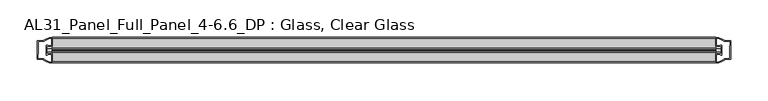
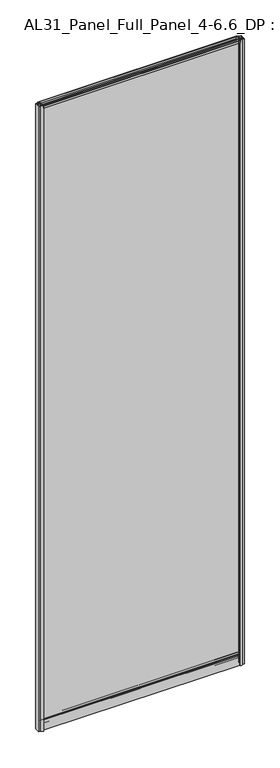
"""IFC4 building model written with IfcOpenShell, lengths in millimetres: plate geometry, AL31_Panel_Full_Panel_4-6.6_DP : Glass, Clear Glass."""

from ifc_helpers import new_model, si_unit, point, frame, frame_2d, origin, origin_with_axes, place, context, project, spatial, polyline, circle_curve, trimmed, segment, composite_curve, outline, extrude, source, transform, mapped, element, save


def al31_panel_full_panel_4_6_6_dp_glass_clear_glass_1ce08029(model_context):
    return source(origin(), model_context, "Body", "SweptSolid", [
        extrude(outline(composite_curve([segment(trimmed(circle_curve(frame_2d((-19.957, 2961.8572926)), 3.0), [point((-18.457, 2964.4553688))], [point((-17.4851586, 2960.1572926))], False, "CARTESIAN"), True, "CONTINUOUS"), segment(polyline([(-17.4851586, 2960.1572926), (-4.157, 2960.1572926), (-4.157, 2969.5572926), (-2.857, 2969.5572926), (-2.857, 2959.0572926), (-13.1545312, 2959.0572926), (-13.1545312, 2958.2572926), (-13.6601218, 2956.3357964), (-13.6601218, 2951.6572926), (-14.857, 2951.6572926), (-14.857, 2956.9912672), (-14.357, 2957.8572926), (-14.357, 2959.0572926), (-25.357, 2959.0572926), (-25.357, 2957.8572926), (-24.857, 2956.9912672), (-24.857, 2951.6572926), (-26.0538782, 2951.6572926), (-26.0538782, 2956.3357964), (-26.5594688, 2958.2572926), (-26.5594688, 2959.0572926), (-36.857, 2959.0572926), (-36.857, 2969.5572926), (-35.557, 2969.5572926), (-35.557, 2960.1572926), (-22.4288414, 2960.1572926)]), True, "CONTINUOUS"), segment(trimmed(circle_curve(frame_2d((-19.957, 2961.8572926)), 3.0), [point((-22.4288414, 2960.1572926))], [point((-21.457, 2964.4553688))], False, "CARTESIAN"), True, "CONTINUOUS"), segment(polyline([(-21.457, 2964.4553688), (-20.907, 2963.5027409)]), True, "CONTINUOUS"), segment(trimmed(circle_curve(frame_2d((-19.957, 2961.8572926)), 1.9), [point((-20.907, 2963.5027409))], [point((-19.007, 2963.5027409))], True, "CARTESIAN"), True, "CONTINUOUS"), segment(polyline([(-19.007, 2963.5027409), (-18.457, 2964.4553688)]), True, "CONTINUOUS")], self_intersect=False)), frame((-442.5, 0.0, 0.0), z_axis=(1.0, 0.0, 0.0), x_axis=(0.0, 1.0, 0.0)), (0.0, 0.0, 1.0), 885.0),
        extrude(outline(composite_curve([segment(polyline([(-11.457, 35.8), (-28.257, 35.8)]), True, "CONTINUOUS"), segment(trimmed(circle_curve(frame_2d((-28.257, 34.8)), 1.0), [point((-28.257, 35.8))], [point((-29.257, 34.8))], True, "CARTESIAN"), True, "CONTINUOUS"), segment(polyline([(-29.257, 34.8), (-29.257, 33.5), (-24.8569697, 33.5), (-24.8569697, 32.3), (-29.257, 32.3), (-29.257, 0.0), (-30.457, 0.0), (-30.457, 47.3)]), True, "CONTINUOUS"), segment(trimmed(circle_curve(frame_2d((-28.457, 47.3)), 2.0), [point((-30.457, 47.3))], [point((-28.457, 49.3))], False, "CARTESIAN"), True, "CONTINUOUS"), segment(polyline([(-28.457, 49.3), (-24.857, 49.3), (-24.857, 41.9), (-14.857, 41.9), (-14.857, 49.3), (-11.257, 49.3)]), True, "CONTINUOUS"), segment(trimmed(circle_curve(frame_2d((-11.257, 47.3)), 2.0), [point((-11.257, 49.3))], [point((-9.257, 47.3))], False, "CARTESIAN"), True, "CONTINUOUS"), segment(polyline([(-9.257, 47.3), (-9.257, 0.0), (-10.457, 0.0), (-10.457, 32.3), (-14.8569697, 32.3), (-14.8569697, 33.5), (-10.457, 33.5), (-10.457, 34.8)]), True, "CONTINUOUS"), segment(trimmed(circle_curve(frame_2d((-11.457, 34.8)), 1.0), [point((-10.457, 34.8))], [point((-11.457, 35.8))], True, "CARTESIAN"), True, "CONTINUOUS")], self_intersect=False), holes=[composite_curve([segment(polyline([(-26.3594688, 41.8), (-26.3594688, 42.9)]), True, "CONTINUOUS"), segment(trimmed(circle_curve(frame_2d((-25.1594688, 42.9)), 1.2), [point((-26.3594688, 42.9))], [point((-25.9768184, 43.7786009))], False, "CARTESIAN"), True, "CONTINUOUS"), segment(polyline([(-25.9768184, 43.7786009), (-25.9768184, 48.2), (-28.257, 48.2)]), True, "CONTINUOUS"), segment(trimmed(circle_curve(frame_2d((-28.257, 47.2)), 1.0), [point((-28.257, 48.2))], [point((-29.257, 47.2))], True, "CARTESIAN"), True, "CONTINUOUS"), segment(polyline([(-29.257, 47.2), (-29.257, 37.04), (-22.6578965, 37.04), (-22.6578965, 38.0725806), (-21.6940508, 38.0725806)]), True, "CONTINUOUS"), segment(trimmed(circle_curve(frame_2d((-19.857, 39.1)), 2.1048387), [point((-21.6940508, 38.0725806))], [point((-18.0199492, 38.0725806))], True, "CARTESIAN"), True, "CONTINUOUS"), segment(polyline([(-18.0199492, 38.0725806), (-17.0561035, 38.0725806), (-17.0561035, 37.04), (-10.457, 37.04), (-10.457, 47.2)]), True, "CONTINUOUS"), segment(trimmed(circle_curve(frame_2d((-11.457, 47.2)), 1.0), [point((-10.457, 47.2))], [point((-11.457, 48.2))], True, "CARTESIAN"), True, "CONTINUOUS"), segment(polyline([(-11.457, 48.2), (-13.7371816, 48.2), (-13.7371816, 43.5786009)]), True, "CONTINUOUS"), segment(trimmed(circle_curve(frame_2d((-14.5545312, 42.7)), 1.2), [point((-13.7371816, 43.5786009))], [point((-13.3545312, 42.7))], False, "CARTESIAN"), True, "CONTINUOUS"), segment(polyline([(-13.3545312, 42.7), (-13.3545312, 41.8)]), True, "CONTINUOUS"), segment(trimmed(circle_curve(frame_2d((-14.3545312, 41.8)), 1.0), [point((-13.3545312, 41.8))], [point((-14.3545312, 40.8))], False, "CARTESIAN"), True, "CONTINUOUS"), segment(polyline([(-14.3545312, 40.8), (-17.0561035, 40.8), (-17.0561035, 39.7274194), (-18.0199492, 39.7274194)]), True, "CONTINUOUS"), segment(trimmed(circle_curve(frame_2d((-19.857, 38.7)), 2.1048387), [point((-18.0199492, 39.7274194))], [point((-21.6940508, 39.7274194))], True, "CARTESIAN"), True, "CONTINUOUS"), segment(polyline([(-21.6940508, 39.7274194), (-22.6578965, 39.7274194), (-22.6578965, 40.8), (-25.3594688, 40.8)]), True, "CONTINUOUS"), segment(trimmed(circle_curve(frame_2d((-25.3594688, 41.8)), 1.0), [point((-25.3594688, 40.8))], [point((-26.3594688, 41.8))], False, "CARTESIAN"), True, "CONTINUOUS")], self_intersect=False)]), frame((-442.5, 0.0, 0.0), z_axis=(1.0, 0.0, 0.0), x_axis=(0.0, 1.0, 0.0)), (0.0, 0.0, 1.0), 885.0),
        extrude(outline(composite_curve([segment(polyline([(-450.3414214, -25.757), (-449.1414214, -25.757), (-449.1414214, -24.857), (-442.5, -24.857), (-442.5, -36.8571453)]), True, "CONTINUOUS"), segment(trimmed(circle_curve(frame_2d((-442.1353484, -16.8604698)), 20.0), [point((-442.5, -36.8571453))], [point((-453.8558352, -33.0663388))], False, "CARTESIAN"), True, "CONTINUOUS"), segment(polyline([(-453.8558352, -33.0663388), (-453.8558352, -32.1849343), (-462.5, -32.1849343), (-462.5, -7.4849343), (-453.8558352, -7.4849343), (-453.8558352, -6.6474751)]), True, "CONTINUOUS"), segment(trimmed(circle_curve(frame_2d((-442.1353484, -22.8533441)), 20.0), [point((-453.8558352, -6.6474751))], [point((-442.5, -2.8566686))], False, "CARTESIAN"), True, "CONTINUOUS"), segment(polyline([(-442.5, -2.8566686), (-442.5, -14.857), (-449.1414214, -14.857), (-449.1414214, -13.957), (-450.3414214, -13.957), (-450.3414214, -25.757)]), True, "CONTINUOUS")], self_intersect=False), holes=[composite_curve([segment(trimmed(circle_curve(frame_2d((-449.3414214, -14.157)), 1.5), [point((-449.3414214, -12.657))], [point((-447.9861671, -13.5141269))], False, "CARTESIAN"), True, "CONTINUOUS"), segment(polyline([(-447.9861671, -13.5141269), (-444.2414214, -13.5141269), (-444.2414214, -8.917777), (-443.8020815, -7.8571168), (-443.8020815, -4.2070183)]), True, "CONTINUOUS"), segment(trimmed(circle_curve(frame_2d((-442.1353484, -22.8325921)), 18.7), [point((-443.8020815, -4.2070183))], [point((-452.1421262, -7.0353013))], True, "CARTESIAN"), True, "CONTINUOUS"), segment(trimmed(circle_curve(frame_2d((-453.9414214, -6.9849343)), 1.8), [point((-452.1421262, -7.0353013))], [point((-453.9414214, -8.7849343))], False, "CARTESIAN"), True, "CONTINUOUS"), segment(polyline([(-453.9414214, -8.7849343), (-461.0828427, -8.7849343), (-461.0828427, -13.3550394), (-460.6414214, -14.417777), (-460.6414214, -25.2520916), (-461.1414214, -26.2449987), (-461.1414214, -30.8849343), (-453.9414214, -30.8849343)]), True, "CONTINUOUS"), segment(trimmed(circle_curve(frame_2d((-453.9414214, -32.6849343)), 1.8), [point((-453.9414214, -30.8849343))], [point((-452.1421262, -32.6345673))], False, "CARTESIAN"), True, "CONTINUOUS"), segment(trimmed(circle_curve(frame_2d((-442.1353484, -16.8372765)), 18.7), [point((-452.1421262, -32.6345673))], [point((-443.8020815, -35.4628503))], True, "CARTESIAN"), True, "CONTINUOUS"), segment(polyline([(-443.8020815, -35.4628503), (-443.8020815, -31.8127518), (-444.2414214, -30.7520916), (-444.2414214, -26.1561308), (-447.9662696, -26.1561308)]), True, "CONTINUOUS"), segment(trimmed(circle_curve(frame_2d((-449.3414214, -25.557)), 1.5), [point((-447.9662696, -26.1561308))], [point((-449.3414214, -27.057))], False, "CARTESIAN"), True, "CONTINUOUS"), segment(polyline([(-449.3414214, -27.057), (-451.6414214, -27.057), (-451.6414214, -12.657), (-449.3414214, -12.657)]), True, "CONTINUOUS")], self_intersect=False)]), origin_with_axes(), (0.0, 0.0, 1.0), 2969.5572926),
        extrude(outline(composite_curve([segment(polyline([(450.3414214, -13.957), (449.1414214, -13.957), (449.1414214, -14.857), (442.5, -14.857), (442.5, -2.8568547)]), True, "CONTINUOUS"), segment(trimmed(circle_curve(frame_2d((442.1353484, -22.8535302)), 20.0), [point((442.5, -2.8568547))], [point((453.8558352, -6.6476612))], False, "CARTESIAN"), True, "CONTINUOUS"), segment(polyline([(453.8558352, -6.6476612), (453.8558352, -7.5290657), (462.5, -7.5290657), (462.5, -32.2290657), (453.8558352, -32.2290657), (453.8558352, -33.0665249)]), True, "CONTINUOUS"), segment(trimmed(circle_curve(frame_2d((442.1353484, -16.8606559)), 20.0), [point((453.8558352, -33.0665249))], [point((442.5, -36.8573314))], False, "CARTESIAN"), True, "CONTINUOUS"), segment(polyline([(442.5, -36.8573314), (442.5, -24.857), (449.1414214, -24.857), (449.1414214, -25.757), (450.3414214, -25.757), (450.3414214, -13.957)]), True, "CONTINUOUS")], self_intersect=False), holes=[composite_curve([segment(trimmed(circle_curve(frame_2d((449.3414214, -25.557)), 1.5), [point((449.3414214, -27.057))], [point((447.9861671, -26.1998731))], False, "CARTESIAN"), True, "CONTINUOUS"), segment(polyline([(447.9861671, -26.1998731), (444.2414214, -26.1998731), (444.2414214, -30.796223), (443.8020815, -31.8568832), (443.8020815, -35.5069817)]), True, "CONTINUOUS"), segment(trimmed(circle_curve(frame_2d((442.1353484, -16.8814079)), 18.7), [point((443.8020815, -35.5069817))], [point((452.1421262, -32.6786987))], True, "CARTESIAN"), True, "CONTINUOUS"), segment(trimmed(circle_curve(frame_2d((453.9414214, -32.7290657)), 1.8), [point((452.1421262, -32.6786987))], [point((453.9414214, -30.9290657))], False, "CARTESIAN"), True, "CONTINUOUS"), segment(polyline([(453.9414214, -30.9290657), (461.0828427, -30.9290657), (461.0828427, -26.3589606), (460.6414214, -25.296223), (460.6414214, -14.4619084), (461.1414214, -13.4690013), (461.1414214, -8.8290657), (453.9414214, -8.8290657)]), True, "CONTINUOUS"), segment(trimmed(circle_curve(frame_2d((453.9414214, -7.0290657)), 1.8), [point((453.9414214, -8.8290657))], [point((452.1421262, -7.0794327))], False, "CARTESIAN"), True, "CONTINUOUS"), segment(trimmed(circle_curve(frame_2d((442.1353484, -22.8767235)), 18.7), [point((452.1421262, -7.0794327))], [point((443.8020815, -4.2511497))], True, "CARTESIAN"), True, "CONTINUOUS"), segment(polyline([(443.8020815, -4.2511497), (443.8020815, -7.9012482), (444.2414214, -8.9619084), (444.2414214, -13.5578692), (447.9662696, -13.5578692)]), True, "CONTINUOUS"), segment(trimmed(circle_curve(frame_2d((449.3414214, -14.157)), 1.5), [point((447.9662696, -13.5578692))], [point((449.3414214, -12.657))], False, "CARTESIAN"), True, "CONTINUOUS"), segment(polyline([(449.3414214, -12.657), (451.6414214, -12.657), (451.6414214, -27.057), (449.3414214, -27.057)]), True, "CONTINUOUS")], self_intersect=False)]), origin_with_axes(), (0.0, 0.0, 1.0), 2969.5572926),
        extrude(outline(polyline([(450.3414214, -17.857), (450.3414214, -21.857), (-450.3414214, -21.857), (-450.3414214, -17.857), (450.3414214, -17.857)])), frame((0.0, 0.0, 41.9), z_axis=(0.0, 0.0, 1.0), x_axis=(1.0, 0.0, 0.0)), (0.0, 0.0, 1.0), 2917.1572926),
    ])


if __name__ == "__main__":
    model = new_model("IFC4")
    model_context = context("Model", 3, world=origin())
    ifc_project = project(units=[si_unit("LENGTHUNIT", "METRE", prefix="MILLI")], contexts=[model_context])
    site = spatial("IfcSite", under=ifc_project)
    building = spatial("IfcBuilding", under=site)
    placement = place(None, origin())
    al31_panel_full_panel_4_6_6_dp_glass_clear_glass_shape = al31_panel_full_panel_4_6_6_dp_glass_clear_glass_1ce08029(model_context)
    element("IfcPlate", 1, ObjectType="AL31_Panel_Full_Panel_4-6.6_DP : Glass, Clear Glass", at=placement, inside=building, context=model_context, shape_type="MappedRepresentation", body=[
        mapped(al31_panel_full_panel_4_6_6_dp_glass_clear_glass_shape, transform((0.0, 0.0, 0.0), x_axis=(1.0, 0.0, 0.0), y_axis=(0.0, 1.0, 0.0), z_axis=(0.0, 0.0, 1.0))),
    ])
    save(model, "model.ifc")
